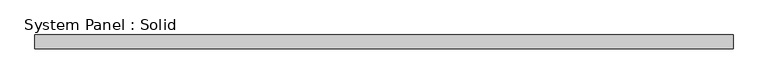
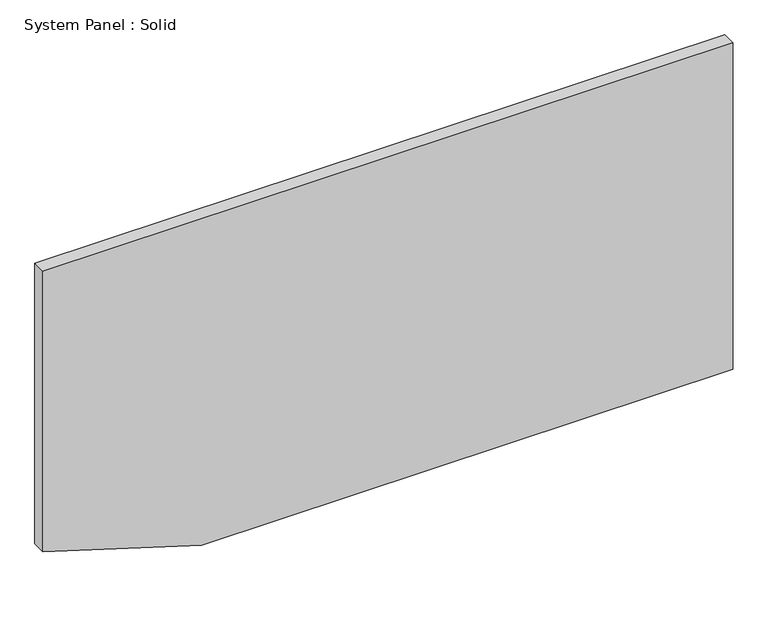
"""IFC4 building model written with IfcOpenShell, lengths in millimetres: plate geometry, System Panel : Solid."""

from ifc_helpers import new_model, si_unit, frame, origin, place, context, project, spatial, polyline, outline, extrude, source, transform, mapped, element, save


def system_panel_solid_61b56064(model_context):
    return source(origin(), model_context, "Body", "SweptSolid", [
        extrude(outline(polyline([(0.0, -810.0626159), (0.0, 1500.0), (1500.0, 1500.0), (1500.0, -1500.0), (212.3775979, -1500.0), (0.0, -810.0626159)])), frame((0.0, -10.5, 0.0), z_axis=(0.0, 1.0, 0.0), x_axis=(0.0, 0.0, 1.0)), (0.0, 0.0, 1.0), 60.0),
    ])


if __name__ == "__main__":
    model = new_model("IFC4")
    model_context = context("Model", 3, world=origin())
    ifc_project = project(units=[si_unit("LENGTHUNIT", "METRE", prefix="MILLI")], contexts=[model_context])
    site = spatial("IfcSite", under=ifc_project)
    building = spatial("IfcBuilding", under=site)
    placement = place(None, origin())
    system_panel_solid_shape = system_panel_solid_61b56064(model_context)
    element("IfcPlate", 1, ObjectType="System Panel : Solid", at=placement, inside=building, context=model_context, shape_type="MappedRepresentation", body=[
        mapped(system_panel_solid_shape, transform((0.0, 0.0, 0.0), x_axis=(1.0, 0.0, 0.0), y_axis=(0.0, 1.0, 0.0), z_axis=(0.0, 0.0, 1.0))),
    ])
    save(model, "model.ifc")
